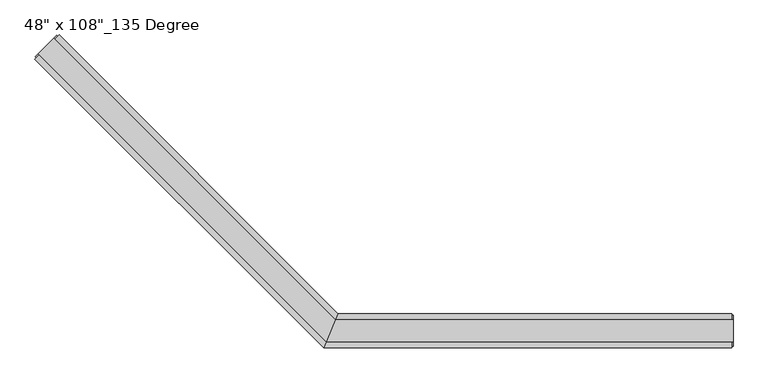
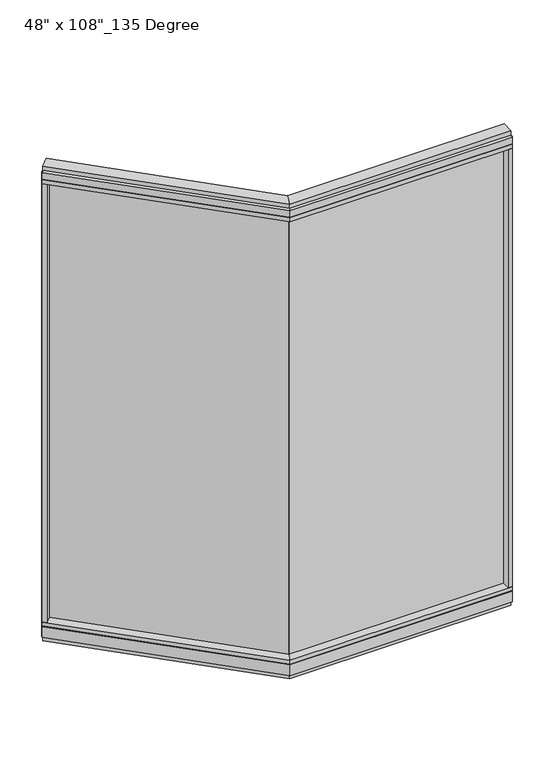
"""IFC4 building model written with IfcOpenShell, lengths in millimetres: furniture geometry."""

import ifcopenshell
import ifcopenshell.guid

model = None  # the IFC model being written
_history = None  # IfcOwnerHistory: only IFC2X3 demands one
_inside = {}  # id of a spatial element -> (the spatial element, [elements in it])
_under = {}  # id of a project, library or spatial element -> (it, [spatial elements below it])
_declared = {}  # id of a project -> (the project, [libraries it declares])
_typed = {}  # id of a type object -> (the type object, [elements of that type])
_made_of = {}  # id of a material, layer set ... -> (it, [elements and type objects made of it])


def new_model(schema):
    """Start an empty IFC model of exactly this schema.

    Asked for "IFC4X3", IfcOpenShell would pick the latest addendum, in which some entities
    have other attributes; the version numbers below select the first issue.
    IFC2X3 requires an IfcOwnerHistory on every rooted entity: one is made here for all.
    """
    global model, _history
    if schema == "IFC4X3":
        model = ifcopenshell.file(schema_version=(4, 3, 0, 0))
    else:
        model = ifcopenshell.file(schema=schema)
    _inside.clear()
    _under.clear()
    _declared.clear()
    _typed.clear()
    _made_of.clear()
    _history = None
    if model.schema == "IFC2X3":
        org = make("IfcOrganization", Name="unknown")
        user = make(
            "IfcPersonAndOrganization",
            ThePerson=make("IfcPerson", FamilyName="unknown"),
            TheOrganization=org,
        )
        app = make(
            "IfcApplication",
            ApplicationDeveloper=org,
            Version="unknown",
            ApplicationFullName="unknown",
            ApplicationIdentifier="unknown",
        )
        _history = make(
            "IfcOwnerHistory",
            OwningUser=user,
            OwningApplication=app,
            ChangeAction="ADDED",
            CreationDate=0,
        )
    return model


def make(cls, **values):
    """One entity of the class cls with the attributes given. An attribute that is None is left unset."""
    return model.create_entity(
        cls, **{name: value for name, value in values.items() if value is not None}
    )


def rooted(cls, **values):
    """An entity with a GlobalId (a new one), such as an element, a storey or a relation."""
    return make(cls, GlobalId=ifcopenshell.guid.new(), OwnerHistory=_history, **values)


def si_unit(unit_type, name, prefix=None):
    """IfcSIUnit, for example si_unit("LENGTHUNIT", "METRE", prefix="MILLI")."""
    return make("IfcSIUnit", UnitType=unit_type, Prefix=prefix, Name=name)


def assignment(units):
    """IfcUnitAssignment: the units of a project."""
    return None if units is None else make("IfcUnitAssignment", Units=units)


def point(xyz):
    """IfcCartesianPoint."""
    return None if xyz is None else make("IfcCartesianPoint", Coordinates=xyz)


def direction(xyz):
    """IfcDirection."""
    return None if xyz is None else make("IfcDirection", DirectionRatios=xyz)


def frame(location, z_axis=None, x_axis=None):
    """IfcAxis2Placement3D, a coordinate frame: its origin and axes. An axis left out is left unset."""
    return make(
        "IfcAxis2Placement3D",
        Location=point(location),
        Axis=direction(z_axis),
        RefDirection=direction(x_axis),
    )


def origin():
    """The frame at (0, 0, 0) with its axes left unset."""
    return frame((0.0, 0.0, 0.0))


def origin_with_axes():
    """The frame at (0, 0, 0) with the z axis (0, 0, 1) and the x axis (1, 0, 0) written out."""
    return frame((0.0, 0.0, 0.0), z_axis=(0.0, 0.0, 1.0), x_axis=(1.0, 0.0, 0.0))


def place(relative_to, where):
    """IfcLocalPlacement: puts the frame where relative to a parent placement (None: the world)."""
    return make(
        "IfcLocalPlacement", PlacementRelTo=relative_to, RelativePlacement=where
    )


def context(
    kind, dimensions, precision=None, world=None, true_north=None, identifier=None
):
    """IfcGeometricRepresentationContext, for example the 3D "Model" context."""
    return make(
        "IfcGeometricRepresentationContext",
        ContextIdentifier=identifier,
        ContextType=kind,
        CoordinateSpaceDimension=dimensions,
        Precision=precision,
        WorldCoordinateSystem=world,
        TrueNorth=true_north,
    )


def project(units=None, contexts=None):
    """IfcProject with its units and contexts."""
    return rooted(
        "IfcProject",
        Name="project",
        RepresentationContexts=contexts,
        UnitsInContext=assignment(units),
    )


def spatial(cls, under=None, at=None, **own):
    """A site, building, storey or space (cls), placed at a placement, below another one or the project."""
    s = rooted(cls, ObjectPlacement=at, **own)
    if under is not None:
        _under.setdefault(under.id(), (under, []))[1].append(s)
    return s


def polyline(points):
    """IfcPolyline through the points."""
    return make("IfcPolyline", Points=[point(p) for p in points])


def outline(outer, holes=None, kind="AREA"):
    """IfcArbitraryClosedProfileDef: a profile drawn as a closed curve; with holes, ...WithVoids."""
    if holes is None:
        return make("IfcArbitraryClosedProfileDef", ProfileType=kind, OuterCurve=outer)
    return make(
        "IfcArbitraryProfileDefWithVoids",
        ProfileType=kind,
        OuterCurve=outer,
        InnerCurves=holes,
    )


def extrude(swept, where, along, depth):
    """IfcExtrudedAreaSolid: the profile swept, set in the frame where, extruded along a direction by depth."""
    return make(
        "IfcExtrudedAreaSolid",
        SweptArea=swept,
        Position=where,
        ExtrudedDirection=direction(along),
        Depth=depth,
    )


def faces_of(points, faces, orient=None, outer=None):
    """IfcFace entities. A face is a list of loops; a loop is a list of indices into points, from 0.

    orient and outer hold one flag for each loop. By default every Orientation is true, the
    first loop of a face is its IfcFaceOuterBound and the others are IfcFaceBound.
    """
    made = []
    for i, loops in enumerate(faces):
        bounds = []
        for j, loop in enumerate(loops):
            is_outer = j == 0 if outer is None else outer[i][j]
            bounds.append(
                make(
                    "IfcFaceOuterBound" if is_outer else "IfcFaceBound",
                    Bound=make("IfcPolyLoop", Polygon=[points[k] for k in loop]),
                    Orientation=True if orient is None else orient[i][j],
                )
            )
        made.append(make("IfcFace", Bounds=bounds))
    return made


def faceted_brep(points, faces, orient=None, outer=None, voids=None):
    """IfcFacetedBrep: a solid bounded by flat faces; with voids (closed shells), ...WithVoids."""
    shared = [point(p) for p in points]
    hull = make("IfcClosedShell", CfsFaces=faces_of(shared, faces, orient, outer))
    if voids is None:
        return make("IfcFacetedBrep", Outer=hull)
    return make(
        "IfcFacetedBrepWithVoids",
        Outer=hull,
        Voids=[
            make(cls, CfsFaces=faces_of(shared, fs, o, b)) for cls, fs, o, b in voids
        ],
    )


def shape(context_of_items, identifier, shape_type, items):
    """IfcShapeRepresentation: the items that make up one representation, for example the "Body"."""
    return make(
        "IfcShapeRepresentation",
        ContextOfItems=context_of_items,
        RepresentationIdentifier=identifier,
        RepresentationType=shape_type,
        Items=items,
    )


def source(mapping_origin, context_of_items, identifier, shape_type, items):
    """IfcRepresentationMap: a shape defined once, which mapped items show again and again."""
    return make(
        "IfcRepresentationMap",
        MappingOrigin=mapping_origin,
        MappedRepresentation=shape(context_of_items, identifier, shape_type, items),
    )


def transform(
    local_origin,
    x_axis=None,
    y_axis=None,
    z_axis=None,
    scale=None,
    scale2=None,
    scale3=None,
    uniform=True,
):
    """IfcCartesianTransformationOperator3D, or its non-uniform kind. x_axis, y_axis, z_axis: its Axis1, 2, 3."""
    if uniform:
        return make(
            "IfcCartesianTransformationOperator3D",
            Axis1=direction(x_axis),
            Axis2=direction(y_axis),
            LocalOrigin=point(local_origin),
            Scale=scale,
            Axis3=direction(z_axis),
        )
    return make(
        "IfcCartesianTransformationOperator3DnonUniform",
        Axis1=direction(x_axis),
        Axis2=direction(y_axis),
        LocalOrigin=point(local_origin),
        Scale=scale,
        Axis3=direction(z_axis),
        Scale2=scale2,
        Scale3=scale3,
    )


def mapped(mapping_source, mapping_target):
    """IfcMappedItem: shows the shape of a source again, moved by a transform."""
    return make(
        "IfcMappedItem", MappingSource=mapping_source, MappingTarget=mapping_target
    )


def made_of(thing, what):
    """Note that an element or type object is made of a material, layer set ...; save() writes the relation."""
    if what is not None:
        _made_of.setdefault(what.id(), (what, []))[1].append(thing)
    return thing


def element(
    cls,
    number,
    at=None,
    inside=None,
    cuts=None,
    type_object=None,
    material=None,
    context=None,
    identifier="Body",
    shape_type=None,
    held_by="IfcProductDefinitionShape",
    body=None,
    shapes=None,
    **own,
):
    """One element of the class cls, such as IfcWall. Its Tag is "e" and its number.

    at: its placement. inside: the storey or other place that contains it. cuts: it is an
    opening in that element (IfcRelVoidsElement). A single representation is given by context,
    identifier, shape_type and body (its items); several are given by shapes. held_by: the class
    of the entity that holds the representations. save() writes the other relations.
    """
    e = rooted(cls, Tag="e%d" % number, ObjectPlacement=at, **own)
    if body is not None:
        shapes = [shape(context, identifier, shape_type, body)]
    if shapes is not None:
        e.Representation = make(held_by, Representations=shapes)
    if inside is not None:
        _inside.setdefault(inside.id(), (inside, []))[1].append(e)
    if cuts is not None:
        rooted(
            "IfcRelVoidsElement", RelatingBuildingElement=cuts, RelatedOpeningElement=e
        )
    if type_object is not None:
        _typed.setdefault(type_object.id(), (type_object, []))[1].append(e)
    return made_of(e, material)


def aggregate(whole, parts):
    """IfcRelAggregates: a whole, such as a stair, and the parts it consists of."""
    return rooted("IfcRelAggregates", RelatingObject=whole, RelatedObjects=parts)


def save(model, path):
    """Write the relations noted so far, then the file.

    IfcRelAggregates (storeys below a building ...), IfcRelContainedInSpatialStructure (elements
    in a storey), IfcRelDefinesByType, IfcRelAssociatesMaterial and IfcRelDeclares: one each for
    every whole, place, type object, material and project.
    """
    for whole, parts in _under.values():
        aggregate(whole, parts)
    for where, things in _inside.values():
        rooted(
            "IfcRelContainedInSpatialStructure",
            RelatedElements=things,
            RelatingStructure=where,
        )
    for kind, things in _typed.values():
        rooted("IfcRelDefinesByType", RelatedObjects=things, RelatingType=kind)
    for what, things in _made_of.values():
        rooted("IfcRelAssociatesMaterial", RelatedObjects=things, RelatingMaterial=what)
    for by, libraries in _declared.values():
        rooted("IfcRelDeclares", RelatingContext=by, RelatedDefinitions=libraries)
    model.write(path)


def furniture_da6500ec(model_context):
    return source(origin(), model_context, "Body", "SolidModel", [
        extrude(outline(polyline([(-1480.9128609, 820.6164604), (-1473.728656, 827.8006653), (-643.5937802, -2.3342105), (-650.7779851, -9.5184154), (-1480.9128609, 820.6164604)])), frame((0.0, 0.0, 120.523), z_axis=(0.0, 0.0, 1.0), x_axis=(1.0, 0.0, 0.0)), (0.0, 0.0, 1.0), 2533.777),
        extrude(outline(polyline([(-1457.1151822, 875.8450356), (-627.552425, 46.2822784), (-669.6365229, -55.3177216), (-1528.9572312, 804.0029866), (-1457.1151822, 875.8450356)])), frame((0.0, 0.0, 2654.3), z_axis=(0.0, 0.0, 1.0), x_axis=(1.0, 0.0, 0.0)), (0.0, 0.0, 1.0), 22.225),
        faceted_brep([(-627.552425, 46.2822784, 2681.478), (-627.552425, 46.2822784, 2717.8), (-669.6365229, -55.3177216, 2717.8), (-669.6365229, -55.3177216, 2681.478), (-667.5849232, -50.3647216, 2681.478), (-667.5849232, -50.3647216, 2676.525), (-629.6040248, 41.3292784, 2676.525), (-629.6040248, 41.3292784, 2681.478), (-1457.1151822, 875.8450356, 2681.478), (-1460.6174821, 872.3427357, 2681.478), (-1460.6174821, 872.3427357, 2676.525), (-1525.4549313, 807.5052865, 2676.525), (-1525.4549313, 807.5052865, 2681.478), (-1528.9572312, 804.0029866, 2681.478), (-1528.9572312, 804.0029866, 2717.8), (-1457.1151822, 875.8450356, 2717.8)], [[[0, 1, 2, 3, 4, 5, 6, 7]], [[8, 9, 10, 11, 12, 13, 14, 15]], [[8, 0, 7, 9]], [[13, 3, 2, 14]], [[14, 2, 1, 15]], [[15, 1, 0, 8]], [[9, 7, 6, 10]], [[10, 6, 5, 11]], [[11, 5, 4, 12]], [[12, 4, 3, 13]]]),
        extrude(outline(polyline([(-1472.8306304, 865.6973461), (-635.1275626, 27.9942784), (-662.0613853, -37.0297216), (-1518.8095417, 819.7184348), (-1472.8306304, 865.6973461)])), frame((0.0, 0.0, 2717.8), z_axis=(0.0, 0.0, 1.0), x_axis=(1.0, 0.0, 0.0)), (0.0, 0.0, 1.0), 25.4),
        faceted_brep([(-629.6040248, 41.3292784, 93.345), (-629.6040248, 41.3292784, 98.298), (-667.5849232, -50.3647216, 98.298), (-667.5849232, -50.3647216, 93.345), (-669.6365229, -55.3177216, 93.345), (-669.6365229, -55.3177216, 31.75), (-627.552425, 46.2822784, 31.75), (-627.552425, 46.2822784, 93.345), (-1457.1151822, 875.8450356, 93.345), (-1457.1151822, 875.8450356, 31.75), (-1528.9572312, 804.0029866, 31.75), (-1528.9572312, 804.0029866, 93.345), (-1525.4549313, 807.5052865, 93.345), (-1525.4549313, 807.5052865, 98.298), (-1460.6174821, 872.3427357, 98.298), (-1460.6174821, 872.3427357, 93.345)], [[[0, 1, 2, 3, 4, 5, 6, 7]], [[8, 9, 10, 11, 12, 13, 14, 15]], [[15, 0, 7, 8]], [[10, 5, 4, 11]], [[9, 6, 5, 10]], [[8, 7, 6, 9]], [[14, 1, 0, 15]], [[13, 2, 1, 14]], [[12, 3, 2, 13]], [[11, 4, 3, 12]]]),
        extrude(outline(polyline([(-1457.1151822, 875.8450356), (-627.552425, 46.2822784), (-669.6365229, -55.3177216), (-1528.9572312, 804.0029866), (-1457.1151822, 875.8450356)])), frame((0.0, 0.0, 98.298), z_axis=(0.0, 0.0, 1.0), x_axis=(1.0, 0.0, 0.0)), (0.0, 0.0, 1.0), 22.225),
        extrude(outline(polyline([(-1472.8306304, 865.6973461), (-635.1275626, 27.9942784), (-662.0613853, -37.0297216), (-1518.8095417, 819.7184348), (-1472.8306304, 865.6973461)])), origin_with_axes(), (0.0, 0.0, 1.0), 31.75),
        extrude(outline(polyline([(-1513.241783, 788.2875384), (-1528.9572312, 804.0029866), (-1457.1151822, 875.8450356), (-1441.399734, 860.1295874), (-1513.241783, 788.2875384)])), frame((0.0, 0.0, 120.523), z_axis=(0.0, 0.0, 1.0), x_axis=(1.0, 0.0, 0.0)), (0.0, 0.0, 1.0), 2533.777),
        extrude(outline(polyline([(-1528.2388107, 810.2891659), (-1463.4013615, 875.1266151), (-1460.6174821, 872.3427357), (-1525.4549313, 807.5052865), (-1528.2388107, 810.2891659)])), frame((0.0, 0.0, 31.75), z_axis=(0.0, 0.0, 1.0), x_axis=(1.0, 0.0, 0.0)), (0.0, 0.0, 1.0), 2686.05),
        extrude(outline(polyline([(523.4014771, -9.5977216), (-650.5865229, -9.5977216), (-650.5865229, 0.5622784), (523.4014771, 0.5622784), (523.4014771, -9.5977216)])), frame((0.0, 0.0, 120.523), z_axis=(0.0, 0.0, 1.0), x_axis=(1.0, 0.0, 0.0)), (0.0, 0.0, 1.0), 2533.777),
        extrude(outline(polyline([(545.6264771, 46.2822784), (545.6264771, -55.3177216), (-669.6365229, -55.3177216), (-627.552425, 46.2822784), (545.6264771, 46.2822784)])), frame((0.0, 0.0, 2654.3), z_axis=(0.0, 0.0, 1.0), x_axis=(1.0, 0.0, 0.0)), (0.0, 0.0, 1.0), 22.225),
        faceted_brep([(-627.552425, 46.2822784, 2681.478), (-629.6040248, 41.3292784, 2681.478), (-629.6040248, 41.3292784, 2676.525), (-667.5849232, -50.3647216, 2676.525), (-667.5849232, -50.3647216, 2681.478), (-669.6365229, -55.3177216, 2681.478), (-669.6365229, -55.3177216, 2717.8), (-627.552425, 46.2822784, 2717.8), (545.6264771, 46.2822784, 2681.478), (545.6264771, 46.2822784, 2717.8), (545.6264771, -55.3177216, 2717.8), (545.6264771, -55.3177216, 2681.478), (545.6264771, -50.3647216, 2681.478), (545.6264771, -50.3647216, 2676.525), (545.6264771, 41.3292784, 2676.525), (545.6264771, 41.3292784, 2681.478)], [[[0, 1, 2, 3, 4, 5, 6, 7]], [[8, 9, 10, 11, 12, 13, 14, 15]], [[8, 15, 1, 0]], [[11, 10, 6, 5]], [[10, 9, 7, 6]], [[9, 8, 0, 7]], [[15, 14, 2, 1]], [[14, 13, 3, 2]], [[13, 12, 4, 3]], [[12, 11, 5, 4]]]),
        extrude(outline(polyline([(549.5634771, 27.9942784), (549.5634771, -37.0297216), (-662.0613853, -37.0297216), (-635.1275626, 27.9942784), (549.5634771, 27.9942784)])), frame((0.0, 0.0, 2717.8), z_axis=(0.0, 0.0, 1.0), x_axis=(1.0, 0.0, 0.0)), (0.0, 0.0, 1.0), 25.4),
        faceted_brep([(-629.6040248, 41.3292784, 93.345), (-627.552425, 46.2822784, 93.345), (-627.552425, 46.2822784, 31.75), (-669.6365229, -55.3177216, 31.75), (-669.6365229, -55.3177216, 93.345), (-667.5849232, -50.3647216, 93.345), (-667.5849232, -50.3647216, 98.298), (-629.6040248, 41.3292784, 98.298), (545.6264771, 46.2822784, 93.345), (545.6264771, 41.3292784, 93.345), (545.6264771, 41.3292784, 98.298), (545.6264771, -50.3647216, 98.298), (545.6264771, -50.3647216, 93.345), (545.6264771, -55.3177216, 93.345), (545.6264771, -55.3177216, 31.75), (545.6264771, 46.2822784, 31.75)], [[[0, 1, 2, 3, 4, 5, 6, 7]], [[8, 9, 10, 11, 12, 13, 14, 15]], [[9, 8, 1, 0]], [[14, 13, 4, 3]], [[15, 14, 3, 2]], [[8, 15, 2, 1]], [[10, 9, 0, 7]], [[11, 10, 7, 6]], [[12, 11, 6, 5]], [[13, 12, 5, 4]]]),
        extrude(outline(polyline([(545.6264771, 46.2822784), (545.6264771, -55.3177216), (-669.6365229, -55.3177216), (-627.552425, 46.2822784), (545.6264771, 46.2822784)])), frame((0.0, 0.0, 98.298), z_axis=(0.0, 0.0, 1.0), x_axis=(1.0, 0.0, 0.0)), (0.0, 0.0, 1.0), 22.225),
        extrude(outline(polyline([(549.5634771, 27.9942784), (549.5634771, -37.0297216), (-662.0613853, -37.0297216), (-635.1275626, 27.9942784), (549.5634771, 27.9942784)])), origin_with_axes(), (0.0, 0.0, 1.0), 31.75),
        extrude(outline(polyline([(523.4014771, -55.3177216), (523.4014771, 46.2822784), (545.6264771, 46.2822784), (545.6264771, -55.3177216), (523.4014771, -55.3177216)])), frame((0.0, 0.0, 120.523), z_axis=(0.0, 0.0, 1.0), x_axis=(1.0, 0.0, 0.0)), (0.0, 0.0, 1.0), 2533.777),
        extrude(outline(polyline([(549.5634771, -50.3647216), (545.6264771, -50.3647216), (545.6264771, 41.3292784), (549.5634771, 41.3292784), (549.5634771, -50.3647216)])), frame((0.0, 0.0, 31.75), z_axis=(0.0, 0.0, 1.0), x_axis=(1.0, 0.0, 0.0)), (0.0, 0.0, 1.0), 2686.05),
    ])


if __name__ == "__main__":
    model = new_model("IFC4")
    model_context = context("Model", 3, world=origin())
    ifc_project = project(units=[si_unit("LENGTHUNIT", "METRE", prefix="MILLI")], contexts=[model_context])
    site = spatial("IfcSite", under=ifc_project)
    building = spatial("IfcBuilding", under=site)
    placement = place(None, origin())
    furniture_shape = furniture_da6500ec(model_context)
    element("IfcFurniture", 1, ObjectType="48\" x 108\"_135 Degree", at=placement, inside=building, context=model_context, shape_type="MappedRepresentation", body=[
        mapped(furniture_shape, transform((0.0, 0.0, 0.0), x_axis=(1.0, 0.0, 0.0), y_axis=(0.0, 1.0, 0.0), z_axis=(0.0, 0.0, 1.0))),
    ])
    save(model, "model.ifc")
